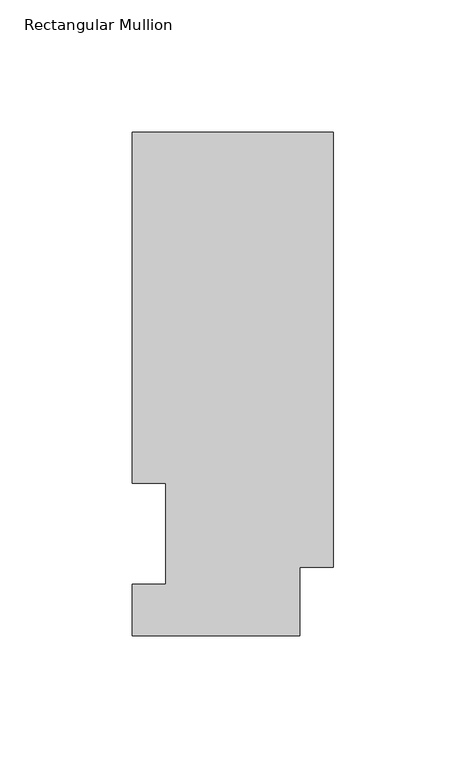
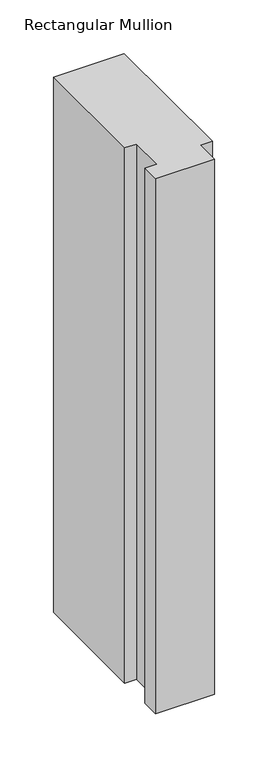
"""IFC4 building model written with IfcOpenShell, lengths in millimetres: member geometry, Rectangular Mullion."""

from ifc_helpers import new_model, si_unit, frame, origin, place, context, project, spatial, polyline, outline, extrude, source, transform, mapped, element, save


def rectangular_mullion_713641fa(model_context):
    return source(origin(), model_context, "Body", "SweptSolid", [
        extrude(outline(polyline([(0.0, 190.5896937), (0.0, 25.8960937), (-12.7, 25.8960937), (-12.7, 0.0134937), (-76.2, 0.0134937), (-76.2, 19.5460937), (-63.5127, 19.5460937), (-63.5127, 57.6460937), (-76.2, 57.6460937), (-76.2, 190.5896937), (0.0, 190.5896937)])), frame((0.0, 0.0, -609.6), z_axis=(0.0, 0.0, 1.0), x_axis=(1.0, 0.0, 0.0)), (0.0, 0.0, 1.0), 609.6),
    ])


if __name__ == "__main__":
    model = new_model("IFC4")
    model_context = context("Model", 3, world=origin())
    ifc_project = project(units=[si_unit("LENGTHUNIT", "METRE", prefix="MILLI")], contexts=[model_context])
    site = spatial("IfcSite", under=ifc_project)
    building = spatial("IfcBuilding", under=site)
    placement = place(None, origin())
    rectangular_mullion_shape = rectangular_mullion_713641fa(model_context)
    element("IfcMember", 1, ObjectType="Rectangular Mullion", at=placement, inside=building, context=model_context, shape_type="MappedRepresentation", body=[
        mapped(rectangular_mullion_shape, transform((0.0, 0.0, 0.0), x_axis=(1.0, 0.0, 0.0), y_axis=(0.0, 1.0, 0.0), z_axis=(0.0, 0.0, 1.0))),
    ])
    save(model, "model.ifc")
